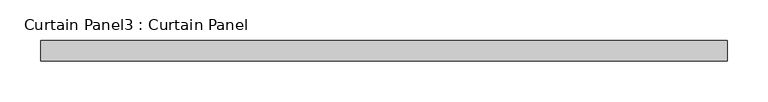
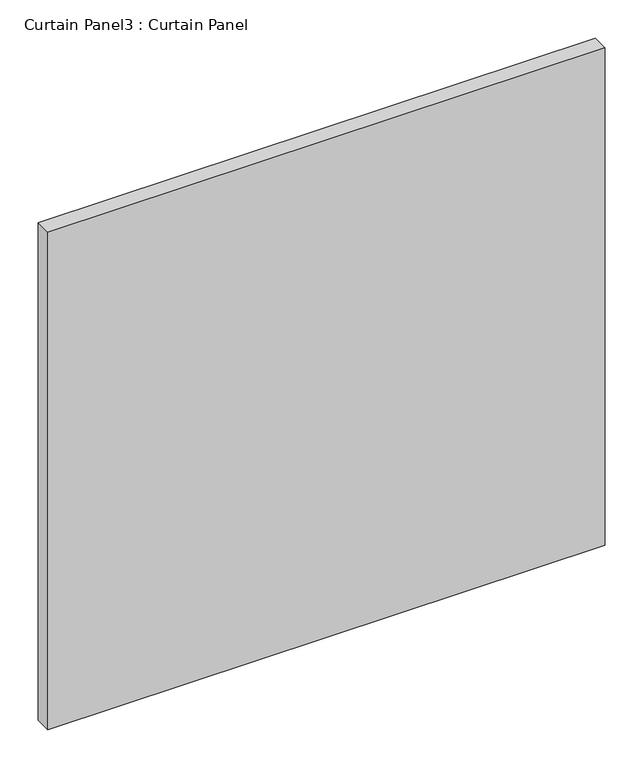
"""IFC4 building model written with IfcOpenShell, lengths in millimetres: plate geometry, Curtain Panel3 : Curtain Panel."""

from ifc_helpers import new_model, si_unit, frame, origin, place, context, project, spatial, polyline, outline, extrude, source, transform, mapped, element, save


def curtain_panel3_curtain_panel_b3ba1739(model_context):
    return source(origin(), model_context, "Body", "SweptSolid", [
        extrude(outline(polyline([(-19224.8572966, 2096.4441321), (-20069.1723011, 2096.4441321), (-20069.1723011, 2121.8441321), (-19224.8572966, 2121.8441321), (-19224.8572966, 2096.4441321)])), frame((0.0, 0.0, -626.0104492), z_axis=(0.0, 0.0, 1.0), x_axis=(1.0, 0.0, 0.0)), (0.0, 0.0, 1.0), 796.570299),
    ])


if __name__ == "__main__":
    model = new_model("IFC4")
    model_context = context("Model", 3, world=origin())
    ifc_project = project(units=[si_unit("LENGTHUNIT", "METRE", prefix="MILLI")], contexts=[model_context])
    site = spatial("IfcSite", under=ifc_project)
    building = spatial("IfcBuilding", under=site)
    placement = place(None, origin())
    curtain_panel3_curtain_panel_shape = curtain_panel3_curtain_panel_b3ba1739(model_context)
    element("IfcPlate", 1, ObjectType="Curtain Panel3 : Curtain Panel", at=placement, inside=building, context=model_context, shape_type="MappedRepresentation", body=[
        mapped(curtain_panel3_curtain_panel_shape, transform((0.0, 0.0, 0.0), x_axis=(1.0, 0.0, 0.0), y_axis=(0.0, 1.0, 0.0), z_axis=(0.0, 0.0, 1.0))),
    ])
    save(model, "model.ifc")
